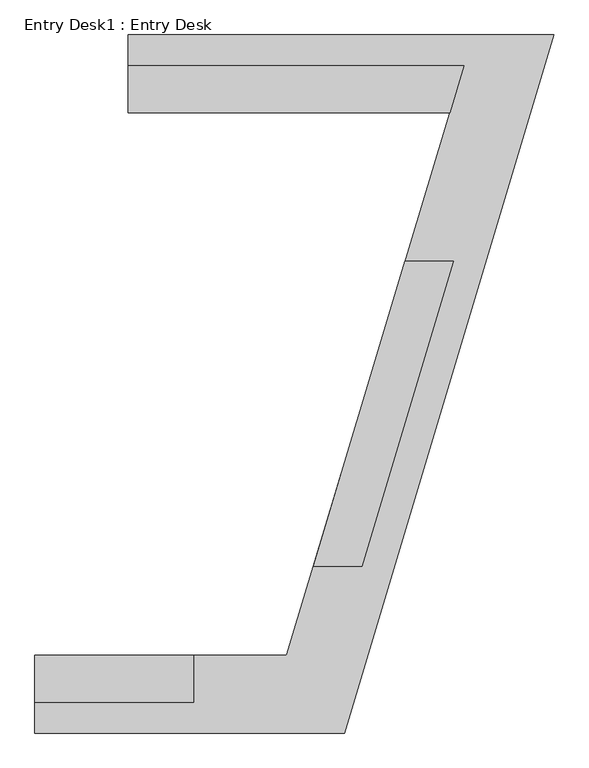
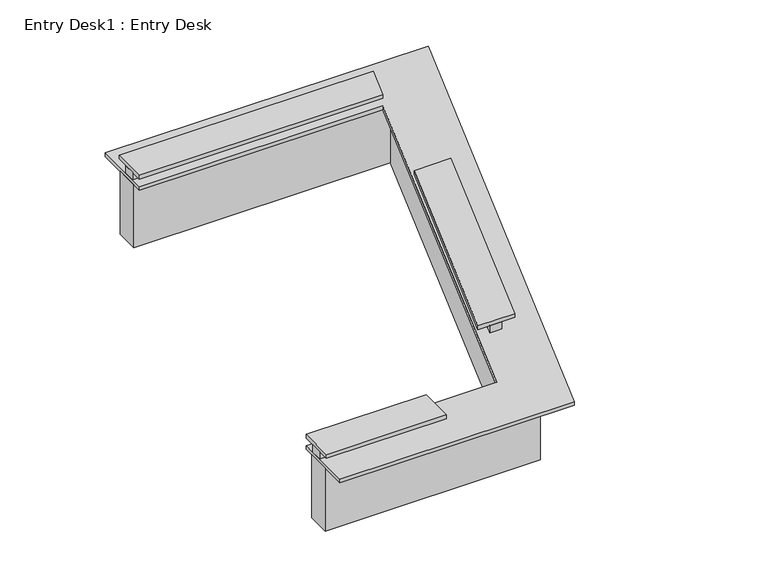
"""IFC4 building model written with IfcOpenShell, lengths in millimetres: furniture geometry, Entry Desk1 : Entry Desk."""

from ifc_helpers import new_model, si_unit, frame, origin, origin_with_axes, place, context, project, spatial, polyline, outline, extrude, source, transform, mapped, element, save


def entry_desk1_entry_desk_41d761fb(model_context):
    return source(origin(), model_context, "Body", "SweptSolid", [
        extrude(outline(polyline([(194037.3139534, -327787.8080223), (190833.1629676, -327787.8080223), (190833.1629676, -327635.4080223), (194083.1222501, -327635.4080223), (194037.3139534, -327787.8080223)])), frame((0.0, 0.0, 914.4), z_axis=(0.0, 0.0, 1.0), x_axis=(1.0, 0.0, 0.0)), (0.0, 0.0, 1.0), 101.6),
        extrude(outline(polyline([(193705.2117672, -329399.7023427), (193864.3474327, -329399.7023427), (192965.3531225, -332390.5739301), (192806.2174569, -332390.5739301), (193705.2117672, -329399.7023427)])), frame((0.0, 0.0, 914.4), z_axis=(0.0, 0.0, 1.0), x_axis=(1.0, 0.0, 0.0)), (0.0, 0.0, 1.0), 101.6),
        extrude(outline(polyline([(191476.2011232, -333418.6705223), (191476.2011232, -333571.0705223), (189918.7629676, -333571.0705223), (189918.7629676, -333418.6705223), (191476.2011232, -333418.6705223)])), frame((0.0, 0.0, 914.4), z_axis=(0.0, 0.0, 1.0), x_axis=(1.0, 0.0, 0.0)), (0.0, 0.0, 1.0), 101.6),
        extrude(outline(polyline([(194158.0226261, -327816.3830223), (190833.1629676, -327816.3830223), (190833.1629676, -327511.5830223), (194567.9105504, -327511.5830223), (192709.3343482, -333694.8955223), (189918.7629676, -333694.8955223), (189918.7629676, -333390.0955223), (192482.6796104, -333390.0955223), (194158.0226261, -327816.3830223)])), origin_with_axes(), (0.0, 0.0, 1.0), 863.6),
        extrude(outline(polyline([(191476.2011232, -333266.2705223), (191476.2011232, -333723.4705223), (189918.7629676, -333723.4705223), (189918.7629676, -333266.2705223), (191476.2011232, -333266.2705223)])), frame((0.0, 0.0, 1016.0), z_axis=(0.0, 0.0, 1.0), x_axis=(1.0, 0.0, 0.0)), (0.0, 0.0, 1.0), 50.8),
        extrude(outline(polyline([(193552.8117672, -329399.7023427), (194030.2187638, -329399.7023427), (193131.2244535, -332390.5739301), (192653.8174569, -332390.5739301), (193552.8117672, -329399.7023427)])), frame((0.0, 0.0, 1016.0), z_axis=(0.0, 0.0, 1.0), x_axis=(1.0, 0.0, 0.0)), (0.0, 0.0, 1.0), 50.8),
        extrude(outline(polyline([(190833.1629676, -327940.2080223), (190833.1629676, -327483.0080223), (194128.9305467, -327483.0080223), (193991.5056568, -327940.2080223), (190833.1629676, -327940.2080223)])), frame((0.0, 0.0, 1016.0), z_axis=(0.0, 0.0, 1.0), x_axis=(1.0, 0.0, 0.0)), (0.0, 0.0, 1.0), 50.8),
        extrude(outline(polyline([(192957.2379676, -334028.2705223), (189918.7629676, -334028.2705223), (189918.7629676, -333266.2705223), (192390.6011232, -333266.2705223), (193991.5056568, -327940.2080223), (190833.1629676, -327940.2080223), (190833.1629676, -327178.2080223), (195016.2254676, -327178.2080223), (192957.2379676, -334028.2705223)])), frame((0.0, 0.0, 863.6), z_axis=(0.0, 0.0, 1.0), x_axis=(1.0, 0.0, 0.0)), (0.0, 0.0, 1.0), 50.8),
    ])


if __name__ == "__main__":
    model = new_model("IFC4")
    model_context = context("Model", 3, world=origin())
    ifc_project = project(units=[si_unit("LENGTHUNIT", "METRE", prefix="MILLI")], contexts=[model_context])
    site = spatial("IfcSite", under=ifc_project)
    building = spatial("IfcBuilding", under=site)
    placement = place(None, origin())
    entry_desk1_entry_desk_shape = entry_desk1_entry_desk_41d761fb(model_context)
    element("IfcFurniture", 1, ObjectType="Entry Desk1 : Entry Desk", at=placement, inside=building, context=model_context, shape_type="MappedRepresentation", body=[
        mapped(entry_desk1_entry_desk_shape, transform((0.0, 0.0, 0.0), x_axis=(1.0, 0.0, 0.0), y_axis=(0.0, 1.0, 0.0), z_axis=(0.0, 0.0, 1.0))),
    ])
    save(model, "model.ifc")
